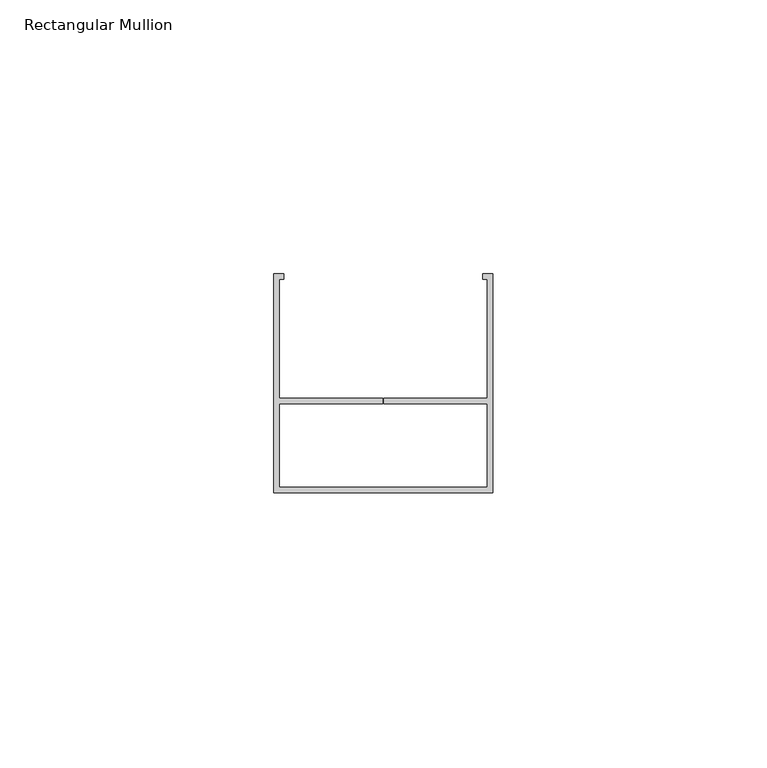
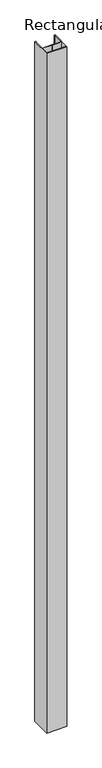
"""IFC4 building model written with IfcOpenShell, lengths in millimetres: member geometry, Rectangular Mullion."""

from ifc_helpers import new_model, si_unit, frame, origin, place, context, project, spatial, polyline, outline, extrude, source, transform, mapped, element, save


def rectangular_mullion_8e2add47(model_context):
    return source(origin(), model_context, "Body", "SweptSolid", [
        extrude(outline(polyline([(-40.0, -20.0), (-40.0, 20.0), (-38.1456638, 20.0), (-38.1456638, 19.0), (-39.0, 19.0), (-39.0, -2.6912936), (-20.0934793, -2.6912936), (-20.0934793, -3.6912936), (-39.0, -3.6912936), (-39.0, -19.0), (-1.0, -19.0), (-1.0, -3.6912936), (-19.9059793, -3.6912936), (-19.9059793, -2.6912936), (-1.0, -2.6912936), (-1.0, 19.0), (-1.878753, 19.0), (-1.878753, 20.0), (0.0, 20.0), (0.0, -20.0), (-40.0, -20.0)])), frame((0.0, 0.0, -1416.6), z_axis=(0.0, 0.0, 1.0), x_axis=(1.0, 0.0, 0.0)), (0.0, 0.0, 1.0), 1416.6),
    ])


if __name__ == "__main__":
    model = new_model("IFC4")
    model_context = context("Model", 3, world=origin())
    ifc_project = project(units=[si_unit("LENGTHUNIT", "METRE", prefix="MILLI")], contexts=[model_context])
    site = spatial("IfcSite", under=ifc_project)
    building = spatial("IfcBuilding", under=site)
    placement = place(None, origin())
    rectangular_mullion_shape = rectangular_mullion_8e2add47(model_context)
    element("IfcMember", 1, ObjectType="Rectangular Mullion", at=placement, inside=building, context=model_context, shape_type="MappedRepresentation", body=[
        mapped(rectangular_mullion_shape, transform((0.0, 0.0, 0.0), x_axis=(1.0, 0.0, 0.0), y_axis=(0.0, 1.0, 0.0), z_axis=(0.0, 0.0, 1.0))),
    ])
    save(model, "model.ifc")
